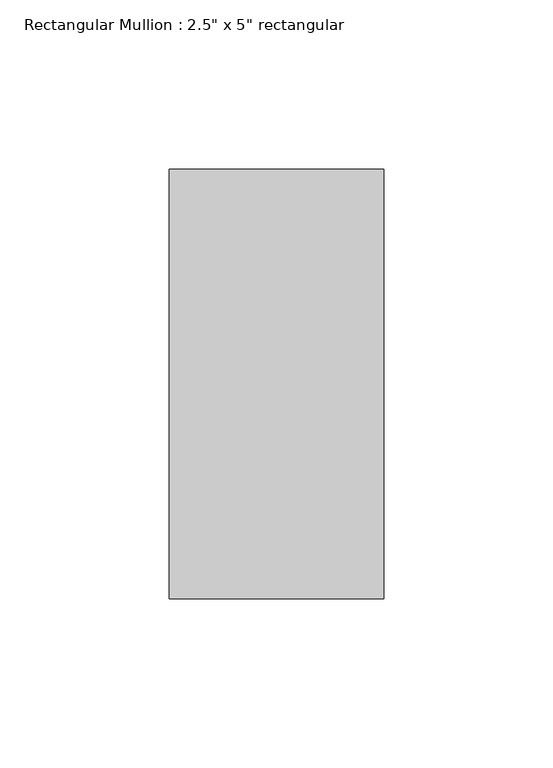
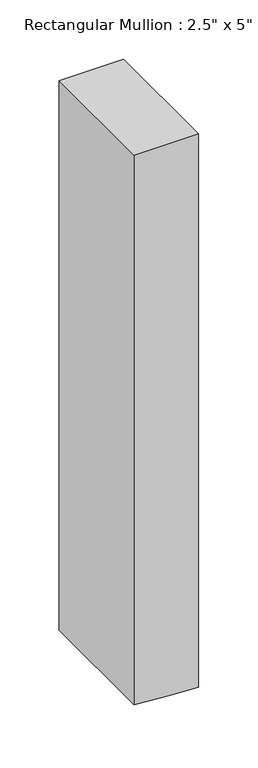
"""IFC4 building model written with IfcOpenShell, lengths in millimetres: member geometry."""

import ifcopenshell
import ifcopenshell.guid

model = None  # the IFC model being written
_history = None  # IfcOwnerHistory: only IFC2X3 demands one
_inside = {}  # id of a spatial element -> (the spatial element, [elements in it])
_under = {}  # id of a project, library or spatial element -> (it, [spatial elements below it])
_declared = {}  # id of a project -> (the project, [libraries it declares])
_typed = {}  # id of a type object -> (the type object, [elements of that type])
_made_of = {}  # id of a material, layer set ... -> (it, [elements and type objects made of it])


def new_model(schema):
    """Start an empty IFC model of exactly this schema.

    Asked for "IFC4X3", IfcOpenShell would pick the latest addendum, in which some entities
    have other attributes; the version numbers below select the first issue.
    IFC2X3 requires an IfcOwnerHistory on every rooted entity: one is made here for all.
    """
    global model, _history
    if schema == "IFC4X3":
        model = ifcopenshell.file(schema_version=(4, 3, 0, 0))
    else:
        model = ifcopenshell.file(schema=schema)
    _inside.clear()
    _under.clear()
    _declared.clear()
    _typed.clear()
    _made_of.clear()
    _history = None
    if model.schema == "IFC2X3":
        org = make("IfcOrganization", Name="unknown")
        user = make(
            "IfcPersonAndOrganization",
            ThePerson=make("IfcPerson", FamilyName="unknown"),
            TheOrganization=org,
        )
        app = make(
            "IfcApplication",
            ApplicationDeveloper=org,
            Version="unknown",
            ApplicationFullName="unknown",
            ApplicationIdentifier="unknown",
        )
        _history = make(
            "IfcOwnerHistory",
            OwningUser=user,
            OwningApplication=app,
            ChangeAction="ADDED",
            CreationDate=0,
        )
    return model


def make(cls, **values):
    """One entity of the class cls with the attributes given. An attribute that is None is left unset."""
    return model.create_entity(
        cls, **{name: value for name, value in values.items() if value is not None}
    )


def rooted(cls, **values):
    """An entity with a GlobalId (a new one), such as an element, a storey or a relation."""
    return make(cls, GlobalId=ifcopenshell.guid.new(), OwnerHistory=_history, **values)


def si_unit(unit_type, name, prefix=None):
    """IfcSIUnit, for example si_unit("LENGTHUNIT", "METRE", prefix="MILLI")."""
    return make("IfcSIUnit", UnitType=unit_type, Prefix=prefix, Name=name)


def assignment(units):
    """IfcUnitAssignment: the units of a project."""
    return None if units is None else make("IfcUnitAssignment", Units=units)


def point(xyz):
    """IfcCartesianPoint."""
    return None if xyz is None else make("IfcCartesianPoint", Coordinates=xyz)


def direction(xyz):
    """IfcDirection."""
    return None if xyz is None else make("IfcDirection", DirectionRatios=xyz)


def frame(location, z_axis=None, x_axis=None):
    """IfcAxis2Placement3D, a coordinate frame: its origin and axes. An axis left out is left unset."""
    return make(
        "IfcAxis2Placement3D",
        Location=point(location),
        Axis=direction(z_axis),
        RefDirection=direction(x_axis),
    )


def origin():
    """The frame at (0, 0, 0) with its axes left unset."""
    return frame((0.0, 0.0, 0.0))


def place(relative_to, where):
    """IfcLocalPlacement: puts the frame where relative to a parent placement (None: the world)."""
    return make(
        "IfcLocalPlacement", PlacementRelTo=relative_to, RelativePlacement=where
    )


def context(
    kind, dimensions, precision=None, world=None, true_north=None, identifier=None
):
    """IfcGeometricRepresentationContext, for example the 3D "Model" context."""
    return make(
        "IfcGeometricRepresentationContext",
        ContextIdentifier=identifier,
        ContextType=kind,
        CoordinateSpaceDimension=dimensions,
        Precision=precision,
        WorldCoordinateSystem=world,
        TrueNorth=true_north,
    )


def project(units=None, contexts=None):
    """IfcProject with its units and contexts."""
    return rooted(
        "IfcProject",
        Name="project",
        RepresentationContexts=contexts,
        UnitsInContext=assignment(units),
    )


def spatial(cls, under=None, at=None, **own):
    """A site, building, storey or space (cls), placed at a placement, below another one or the project."""
    s = rooted(cls, ObjectPlacement=at, **own)
    if under is not None:
        _under.setdefault(under.id(), (under, []))[1].append(s)
    return s


def polyline(points):
    """IfcPolyline through the points."""
    return make("IfcPolyline", Points=[point(p) for p in points])


def outline(outer, holes=None, kind="AREA"):
    """IfcArbitraryClosedProfileDef: a profile drawn as a closed curve; with holes, ...WithVoids."""
    if holes is None:
        return make("IfcArbitraryClosedProfileDef", ProfileType=kind, OuterCurve=outer)
    return make(
        "IfcArbitraryProfileDefWithVoids",
        ProfileType=kind,
        OuterCurve=outer,
        InnerCurves=holes,
    )


def extrude(swept, where, along, depth):
    """IfcExtrudedAreaSolid: the profile swept, set in the frame where, extruded along a direction by depth."""
    return make(
        "IfcExtrudedAreaSolid",
        SweptArea=swept,
        Position=where,
        ExtrudedDirection=direction(along),
        Depth=depth,
    )


def shape(context_of_items, identifier, shape_type, items):
    """IfcShapeRepresentation: the items that make up one representation, for example the "Body"."""
    return make(
        "IfcShapeRepresentation",
        ContextOfItems=context_of_items,
        RepresentationIdentifier=identifier,
        RepresentationType=shape_type,
        Items=items,
    )


def source(mapping_origin, context_of_items, identifier, shape_type, items):
    """IfcRepresentationMap: a shape defined once, which mapped items show again and again."""
    return make(
        "IfcRepresentationMap",
        MappingOrigin=mapping_origin,
        MappedRepresentation=shape(context_of_items, identifier, shape_type, items),
    )


def transform(
    local_origin,
    x_axis=None,
    y_axis=None,
    z_axis=None,
    scale=None,
    scale2=None,
    scale3=None,
    uniform=True,
):
    """IfcCartesianTransformationOperator3D, or its non-uniform kind. x_axis, y_axis, z_axis: its Axis1, 2, 3."""
    if uniform:
        return make(
            "IfcCartesianTransformationOperator3D",
            Axis1=direction(x_axis),
            Axis2=direction(y_axis),
            LocalOrigin=point(local_origin),
            Scale=scale,
            Axis3=direction(z_axis),
        )
    return make(
        "IfcCartesianTransformationOperator3DnonUniform",
        Axis1=direction(x_axis),
        Axis2=direction(y_axis),
        LocalOrigin=point(local_origin),
        Scale=scale,
        Axis3=direction(z_axis),
        Scale2=scale2,
        Scale3=scale3,
    )


def mapped(mapping_source, mapping_target):
    """IfcMappedItem: shows the shape of a source again, moved by a transform."""
    return make(
        "IfcMappedItem", MappingSource=mapping_source, MappingTarget=mapping_target
    )


def made_of(thing, what):
    """Note that an element or type object is made of a material, layer set ...; save() writes the relation."""
    if what is not None:
        _made_of.setdefault(what.id(), (what, []))[1].append(thing)
    return thing


def element(
    cls,
    number,
    at=None,
    inside=None,
    cuts=None,
    type_object=None,
    material=None,
    context=None,
    identifier="Body",
    shape_type=None,
    held_by="IfcProductDefinitionShape",
    body=None,
    shapes=None,
    **own,
):
    """One element of the class cls, such as IfcWall. Its Tag is "e" and its number.

    at: its placement. inside: the storey or other place that contains it. cuts: it is an
    opening in that element (IfcRelVoidsElement). A single representation is given by context,
    identifier, shape_type and body (its items); several are given by shapes. held_by: the class
    of the entity that holds the representations. save() writes the other relations.
    """
    e = rooted(cls, Tag="e%d" % number, ObjectPlacement=at, **own)
    if body is not None:
        shapes = [shape(context, identifier, shape_type, body)]
    if shapes is not None:
        e.Representation = make(held_by, Representations=shapes)
    if inside is not None:
        _inside.setdefault(inside.id(), (inside, []))[1].append(e)
    if cuts is not None:
        rooted(
            "IfcRelVoidsElement", RelatingBuildingElement=cuts, RelatedOpeningElement=e
        )
    if type_object is not None:
        _typed.setdefault(type_object.id(), (type_object, []))[1].append(e)
    return made_of(e, material)


def aggregate(whole, parts):
    """IfcRelAggregates: a whole, such as a stair, and the parts it consists of."""
    return rooted("IfcRelAggregates", RelatingObject=whole, RelatedObjects=parts)


def save(model, path):
    """Write the relations noted so far, then the file.

    IfcRelAggregates (storeys below a building ...), IfcRelContainedInSpatialStructure (elements
    in a storey), IfcRelDefinesByType, IfcRelAssociatesMaterial and IfcRelDeclares: one each for
    every whole, place, type object, material and project.
    """
    for whole, parts in _under.values():
        aggregate(whole, parts)
    for where, things in _inside.values():
        rooted(
            "IfcRelContainedInSpatialStructure",
            RelatedElements=things,
            RelatingStructure=where,
        )
    for kind, things in _typed.values():
        rooted("IfcRelDefinesByType", RelatedObjects=things, RelatingType=kind)
    for what, things in _made_of.values():
        rooted("IfcRelAssociatesMaterial", RelatedObjects=things, RelatingMaterial=what)
    for by, libraries in _declared.values():
        rooted("IfcRelDeclares", RelatingContext=by, RelatedDefinitions=libraries)
    model.write(path)


def member_15d063d1(model_context):
    return source(origin(), model_context, "Body", "SweptSolid", [
        extrude(outline(polyline([(0.0, 31.75), (0.0, -31.75), (-568.3790278, -31.75), (-570.7496427, 4.1814929), (-572.5689856, 31.75), (0.0, 31.75)])), frame((0.0, -63.5, 0.0), z_axis=(0.0, 1.0, 0.0), x_axis=(0.0, 0.0, 1.0)), (0.0, 0.0, 1.0), 127.0),
    ])


if __name__ == "__main__":
    model = new_model("IFC4")
    model_context = context("Model", 3, world=origin())
    ifc_project = project(units=[si_unit("LENGTHUNIT", "METRE", prefix="MILLI")], contexts=[model_context])
    site = spatial("IfcSite", under=ifc_project)
    building = spatial("IfcBuilding", under=site)
    placement = place(None, origin())
    member_shape = member_15d063d1(model_context)
    element("IfcMember", 1, ObjectType="Rectangular Mullion : 2.5\" x 5\" rectangular", at=placement, inside=building, context=model_context, shape_type="MappedRepresentation", body=[
        mapped(member_shape, transform((0.0, 0.0, 0.0), x_axis=(1.0, 0.0, 0.0), y_axis=(0.0, 1.0, 0.0), z_axis=(0.0, 0.0, 1.0))),
    ])
    save(model, "model.ifc")
